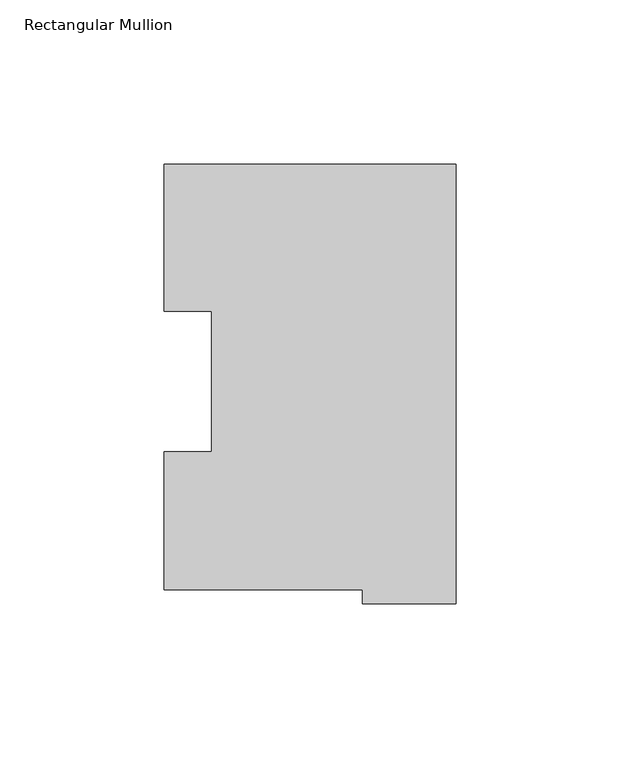
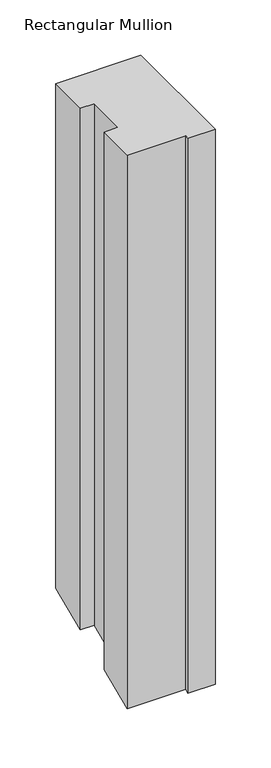
"""IFC4 building model written with IfcOpenShell, lengths in millimetres: member geometry, Rectangular Mullion."""

import ifcopenshell
import ifcopenshell.guid

model = None  # the IFC model being written
_history = None  # IfcOwnerHistory: only IFC2X3 demands one
_inside = {}  # id of a spatial element -> (the spatial element, [elements in it])
_under = {}  # id of a project, library or spatial element -> (it, [spatial elements below it])
_declared = {}  # id of a project -> (the project, [libraries it declares])
_typed = {}  # id of a type object -> (the type object, [elements of that type])
_made_of = {}  # id of a material, layer set ... -> (it, [elements and type objects made of it])


def new_model(schema):
    """Start an empty IFC model of exactly this schema.

    Asked for "IFC4X3", IfcOpenShell would pick the latest addendum, in which some entities
    have other attributes; the version numbers below select the first issue.
    IFC2X3 requires an IfcOwnerHistory on every rooted entity: one is made here for all.
    """
    global model, _history
    if schema == "IFC4X3":
        model = ifcopenshell.file(schema_version=(4, 3, 0, 0))
    else:
        model = ifcopenshell.file(schema=schema)
    _inside.clear()
    _under.clear()
    _declared.clear()
    _typed.clear()
    _made_of.clear()
    _history = None
    if model.schema == "IFC2X3":
        org = make("IfcOrganization", Name="unknown")
        user = make(
            "IfcPersonAndOrganization",
            ThePerson=make("IfcPerson", FamilyName="unknown"),
            TheOrganization=org,
        )
        app = make(
            "IfcApplication",
            ApplicationDeveloper=org,
            Version="unknown",
            ApplicationFullName="unknown",
            ApplicationIdentifier="unknown",
        )
        _history = make(
            "IfcOwnerHistory",
            OwningUser=user,
            OwningApplication=app,
            ChangeAction="ADDED",
            CreationDate=0,
        )
    return model


def make(cls, **values):
    """One entity of the class cls with the attributes given. An attribute that is None is left unset."""
    return model.create_entity(
        cls, **{name: value for name, value in values.items() if value is not None}
    )


def rooted(cls, **values):
    """An entity with a GlobalId (a new one), such as an element, a storey or a relation."""
    return make(cls, GlobalId=ifcopenshell.guid.new(), OwnerHistory=_history, **values)


def si_unit(unit_type, name, prefix=None):
    """IfcSIUnit, for example si_unit("LENGTHUNIT", "METRE", prefix="MILLI")."""
    return make("IfcSIUnit", UnitType=unit_type, Prefix=prefix, Name=name)


def assignment(units):
    """IfcUnitAssignment: the units of a project."""
    return None if units is None else make("IfcUnitAssignment", Units=units)


def point(xyz):
    """IfcCartesianPoint."""
    return None if xyz is None else make("IfcCartesianPoint", Coordinates=xyz)


def direction(xyz):
    """IfcDirection."""
    return None if xyz is None else make("IfcDirection", DirectionRatios=xyz)


def frame(location, z_axis=None, x_axis=None):
    """IfcAxis2Placement3D, a coordinate frame: its origin and axes. An axis left out is left unset."""
    return make(
        "IfcAxis2Placement3D",
        Location=point(location),
        Axis=direction(z_axis),
        RefDirection=direction(x_axis),
    )


def origin():
    """The frame at (0, 0, 0) with its axes left unset."""
    return frame((0.0, 0.0, 0.0))


def place(relative_to, where):
    """IfcLocalPlacement: puts the frame where relative to a parent placement (None: the world)."""
    return make(
        "IfcLocalPlacement", PlacementRelTo=relative_to, RelativePlacement=where
    )


def context(
    kind, dimensions, precision=None, world=None, true_north=None, identifier=None
):
    """IfcGeometricRepresentationContext, for example the 3D "Model" context."""
    return make(
        "IfcGeometricRepresentationContext",
        ContextIdentifier=identifier,
        ContextType=kind,
        CoordinateSpaceDimension=dimensions,
        Precision=precision,
        WorldCoordinateSystem=world,
        TrueNorth=true_north,
    )


def project(units=None, contexts=None):
    """IfcProject with its units and contexts."""
    return rooted(
        "IfcProject",
        Name="project",
        RepresentationContexts=contexts,
        UnitsInContext=assignment(units),
    )


def spatial(cls, under=None, at=None, **own):
    """A site, building, storey or space (cls), placed at a placement, below another one or the project."""
    s = rooted(cls, ObjectPlacement=at, **own)
    if under is not None:
        _under.setdefault(under.id(), (under, []))[1].append(s)
    return s


def faces_of(points, faces, orient=None, outer=None):
    """IfcFace entities. A face is a list of loops; a loop is a list of indices into points, from 0.

    orient and outer hold one flag for each loop. By default every Orientation is true, the
    first loop of a face is its IfcFaceOuterBound and the others are IfcFaceBound.
    """
    made = []
    for i, loops in enumerate(faces):
        bounds = []
        for j, loop in enumerate(loops):
            is_outer = j == 0 if outer is None else outer[i][j]
            bounds.append(
                make(
                    "IfcFaceOuterBound" if is_outer else "IfcFaceBound",
                    Bound=make("IfcPolyLoop", Polygon=[points[k] for k in loop]),
                    Orientation=True if orient is None else orient[i][j],
                )
            )
        made.append(make("IfcFace", Bounds=bounds))
    return made


def faceted_brep(points, faces, orient=None, outer=None, voids=None):
    """IfcFacetedBrep: a solid bounded by flat faces; with voids (closed shells), ...WithVoids."""
    shared = [point(p) for p in points]
    hull = make("IfcClosedShell", CfsFaces=faces_of(shared, faces, orient, outer))
    if voids is None:
        return make("IfcFacetedBrep", Outer=hull)
    return make(
        "IfcFacetedBrepWithVoids",
        Outer=hull,
        Voids=[
            make(cls, CfsFaces=faces_of(shared, fs, o, b)) for cls, fs, o, b in voids
        ],
    )


def shape(context_of_items, identifier, shape_type, items):
    """IfcShapeRepresentation: the items that make up one representation, for example the "Body"."""
    return make(
        "IfcShapeRepresentation",
        ContextOfItems=context_of_items,
        RepresentationIdentifier=identifier,
        RepresentationType=shape_type,
        Items=items,
    )


def source(mapping_origin, context_of_items, identifier, shape_type, items):
    """IfcRepresentationMap: a shape defined once, which mapped items show again and again."""
    return make(
        "IfcRepresentationMap",
        MappingOrigin=mapping_origin,
        MappedRepresentation=shape(context_of_items, identifier, shape_type, items),
    )


def transform(
    local_origin,
    x_axis=None,
    y_axis=None,
    z_axis=None,
    scale=None,
    scale2=None,
    scale3=None,
    uniform=True,
):
    """IfcCartesianTransformationOperator3D, or its non-uniform kind. x_axis, y_axis, z_axis: its Axis1, 2, 3."""
    if uniform:
        return make(
            "IfcCartesianTransformationOperator3D",
            Axis1=direction(x_axis),
            Axis2=direction(y_axis),
            LocalOrigin=point(local_origin),
            Scale=scale,
            Axis3=direction(z_axis),
        )
    return make(
        "IfcCartesianTransformationOperator3DnonUniform",
        Axis1=direction(x_axis),
        Axis2=direction(y_axis),
        LocalOrigin=point(local_origin),
        Scale=scale,
        Axis3=direction(z_axis),
        Scale2=scale2,
        Scale3=scale3,
    )


def mapped(mapping_source, mapping_target):
    """IfcMappedItem: shows the shape of a source again, moved by a transform."""
    return make(
        "IfcMappedItem", MappingSource=mapping_source, MappingTarget=mapping_target
    )


def made_of(thing, what):
    """Note that an element or type object is made of a material, layer set ...; save() writes the relation."""
    if what is not None:
        _made_of.setdefault(what.id(), (what, []))[1].append(thing)
    return thing


def element(
    cls,
    number,
    at=None,
    inside=None,
    cuts=None,
    type_object=None,
    material=None,
    context=None,
    identifier="Body",
    shape_type=None,
    held_by="IfcProductDefinitionShape",
    body=None,
    shapes=None,
    **own,
):
    """One element of the class cls, such as IfcWall. Its Tag is "e" and its number.

    at: its placement. inside: the storey or other place that contains it. cuts: it is an
    opening in that element (IfcRelVoidsElement). A single representation is given by context,
    identifier, shape_type and body (its items); several are given by shapes. held_by: the class
    of the entity that holds the representations. save() writes the other relations.
    """
    e = rooted(cls, Tag="e%d" % number, ObjectPlacement=at, **own)
    if body is not None:
        shapes = [shape(context, identifier, shape_type, body)]
    if shapes is not None:
        e.Representation = make(held_by, Representations=shapes)
    if inside is not None:
        _inside.setdefault(inside.id(), (inside, []))[1].append(e)
    if cuts is not None:
        rooted(
            "IfcRelVoidsElement", RelatingBuildingElement=cuts, RelatedOpeningElement=e
        )
    if type_object is not None:
        _typed.setdefault(type_object.id(), (type_object, []))[1].append(e)
    return made_of(e, material)


def aggregate(whole, parts):
    """IfcRelAggregates: a whole, such as a stair, and the parts it consists of."""
    return rooted("IfcRelAggregates", RelatingObject=whole, RelatedObjects=parts)


def save(model, path):
    """Write the relations noted so far, then the file.

    IfcRelAggregates (storeys below a building ...), IfcRelContainedInSpatialStructure (elements
    in a storey), IfcRelDefinesByType, IfcRelAssociatesMaterial and IfcRelDeclares: one each for
    every whole, place, type object, material and project.
    """
    for whole, parts in _under.values():
        aggregate(whole, parts)
    for where, things in _inside.values():
        rooted(
            "IfcRelContainedInSpatialStructure",
            RelatedElements=things,
            RelatingStructure=where,
        )
    for kind, things in _typed.values():
        rooted("IfcRelDefinesByType", RelatedObjects=things, RelatingType=kind)
    for what, things in _made_of.values():
        rooted("IfcRelAssociatesMaterial", RelatedObjects=things, RelatingMaterial=what)
    for by, libraries in _declared.values():
        rooted("IfcRelDeclares", RelatingContext=by, RelatedDefinitions=libraries)
    model.write(path)


def rectangular_mullion_7cdf4f2c(model_context):
    return source(origin(), model_context, "Body", "Brep", [
        faceted_brep([(-28.56992, 0.2428875, 0.0), (-28.56992, -3.9735125, 0.0), (0.0, -3.9735125, 0.0), (0.0, 130.0368875, 0.0), (-88.99652, 130.0368875, 0.0), (-88.99652, 85.1296875, 0.0), (-74.6252, 85.1296875, 0.0), (-74.6252, 42.2798875, 0.0), (-89.1408142, 42.2798875, 0.0), (-89.1408142, 0.2428875, 0.0), (-28.56992, 0.2428875, -609.4993927), (-28.56992, -3.9735125, -611.2458828), (0.0, -3.9735125, -611.2458828), (0.0, 130.0368875, -555.7369576), (-88.99652, 130.0368875, -555.7369576), (-88.99652, 85.1296875, -574.3381289), (-74.6252, 85.1296875, -574.3381289), (-74.6252, 42.2798875, -592.0870972), (-89.1408142, 42.2798875, -592.0870972), (-89.1408142, 0.2428875, -609.4993927)], [[[0, 1, 2, 3, 4, 5, 6, 7, 8, 9]], [[1, 0, 10, 11]], [[2, 1, 11, 12]], [[3, 2, 12, 13]], [[4, 3, 13, 14]], [[5, 4, 14, 15]], [[6, 5, 15, 16]], [[7, 6, 16, 17]], [[8, 7, 17, 18]], [[9, 8, 18, 19]], [[0, 9, 19, 10]], [[10, 19, 18, 17, 16, 15, 14, 13, 12, 11]]]),
    ])


if __name__ == "__main__":
    model = new_model("IFC4")
    model_context = context("Model", 3, world=origin())
    ifc_project = project(units=[si_unit("LENGTHUNIT", "METRE", prefix="MILLI")], contexts=[model_context])
    site = spatial("IfcSite", under=ifc_project)
    building = spatial("IfcBuilding", under=site)
    placement = place(None, origin())
    rectangular_mullion_shape = rectangular_mullion_7cdf4f2c(model_context)
    element("IfcMember", 1, ObjectType="Rectangular Mullion", at=placement, inside=building, context=model_context, shape_type="MappedRepresentation", body=[
        mapped(rectangular_mullion_shape, transform((0.0, 0.0, 0.0), x_axis=(1.0, 0.0, 0.0), y_axis=(0.0, 1.0, 0.0), z_axis=(0.0, 0.0, 1.0))),
    ])
    save(model, "model.ifc")
